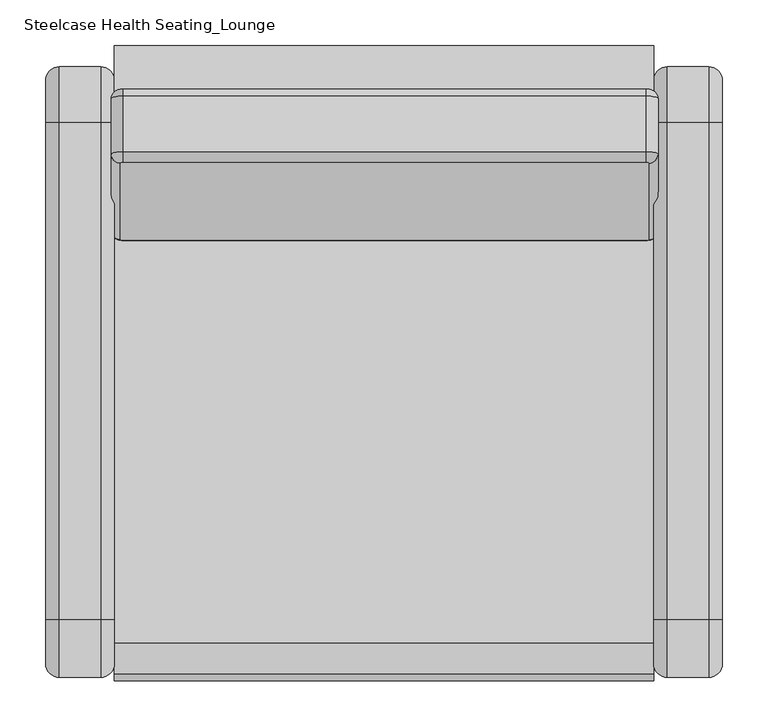
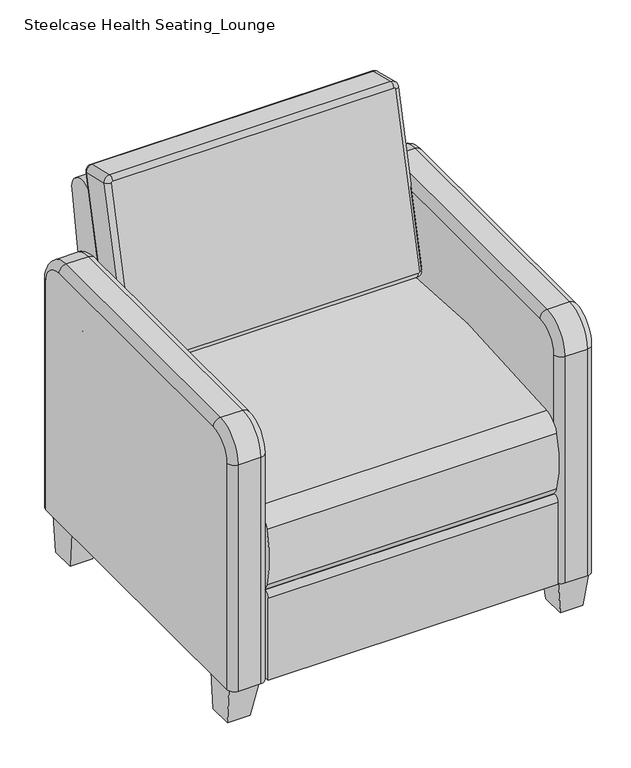
"""IFC4 building model written with IfcOpenShell, lengths in millimetres: furniture geometry, Steelcase Health Seating_Lounge."""

import ifcopenshell
import ifcopenshell.guid

model = None  # the IFC model being written
_history = None  # IfcOwnerHistory: only IFC2X3 demands one
_inside = {}  # id of a spatial element -> (the spatial element, [elements in it])
_under = {}  # id of a project, library or spatial element -> (it, [spatial elements below it])
_declared = {}  # id of a project -> (the project, [libraries it declares])
_typed = {}  # id of a type object -> (the type object, [elements of that type])
_made_of = {}  # id of a material, layer set ... -> (it, [elements and type objects made of it])


def new_model(schema):
    """Start an empty IFC model of exactly this schema.

    Asked for "IFC4X3", IfcOpenShell would pick the latest addendum, in which some entities
    have other attributes; the version numbers below select the first issue.
    IFC2X3 requires an IfcOwnerHistory on every rooted entity: one is made here for all.
    """
    global model, _history
    if schema == "IFC4X3":
        model = ifcopenshell.file(schema_version=(4, 3, 0, 0))
    else:
        model = ifcopenshell.file(schema=schema)
    _inside.clear()
    _under.clear()
    _declared.clear()
    _typed.clear()
    _made_of.clear()
    _history = None
    if model.schema == "IFC2X3":
        org = make("IfcOrganization", Name="unknown")
        user = make(
            "IfcPersonAndOrganization",
            ThePerson=make("IfcPerson", FamilyName="unknown"),
            TheOrganization=org,
        )
        app = make(
            "IfcApplication",
            ApplicationDeveloper=org,
            Version="unknown",
            ApplicationFullName="unknown",
            ApplicationIdentifier="unknown",
        )
        _history = make(
            "IfcOwnerHistory",
            OwningUser=user,
            OwningApplication=app,
            ChangeAction="ADDED",
            CreationDate=0,
        )
    return model


def make(cls, **values):
    """One entity of the class cls with the attributes given. An attribute that is None is left unset."""
    return model.create_entity(
        cls, **{name: value for name, value in values.items() if value is not None}
    )


def rooted(cls, **values):
    """An entity with a GlobalId (a new one), such as an element, a storey or a relation."""
    return make(cls, GlobalId=ifcopenshell.guid.new(), OwnerHistory=_history, **values)


def si_unit(unit_type, name, prefix=None):
    """IfcSIUnit, for example si_unit("LENGTHUNIT", "METRE", prefix="MILLI")."""
    return make("IfcSIUnit", UnitType=unit_type, Prefix=prefix, Name=name)


def assignment(units):
    """IfcUnitAssignment: the units of a project."""
    return None if units is None else make("IfcUnitAssignment", Units=units)


def point(xyz):
    """IfcCartesianPoint."""
    return None if xyz is None else make("IfcCartesianPoint", Coordinates=xyz)


def direction(xyz):
    """IfcDirection."""
    return None if xyz is None else make("IfcDirection", DirectionRatios=xyz)


def frame(location, z_axis=None, x_axis=None):
    """IfcAxis2Placement3D, a coordinate frame: its origin and axes. An axis left out is left unset."""
    return make(
        "IfcAxis2Placement3D",
        Location=point(location),
        Axis=direction(z_axis),
        RefDirection=direction(x_axis),
    )


def frame_2d(location, x_axis=None):
    """IfcAxis2Placement2D, a coordinate frame in the plane: its origin and x axis."""
    return make(
        "IfcAxis2Placement2D", Location=point(location), RefDirection=direction(x_axis)
    )


def origin():
    """The frame at (0, 0, 0) with its axes left unset."""
    return frame((0.0, 0.0, 0.0))


def place(relative_to, where):
    """IfcLocalPlacement: puts the frame where relative to a parent placement (None: the world)."""
    return make(
        "IfcLocalPlacement", PlacementRelTo=relative_to, RelativePlacement=where
    )


def context(
    kind, dimensions, precision=None, world=None, true_north=None, identifier=None
):
    """IfcGeometricRepresentationContext, for example the 3D "Model" context."""
    return make(
        "IfcGeometricRepresentationContext",
        ContextIdentifier=identifier,
        ContextType=kind,
        CoordinateSpaceDimension=dimensions,
        Precision=precision,
        WorldCoordinateSystem=world,
        TrueNorth=true_north,
    )


def project(units=None, contexts=None):
    """IfcProject with its units and contexts."""
    return rooted(
        "IfcProject",
        Name="project",
        RepresentationContexts=contexts,
        UnitsInContext=assignment(units),
    )


def spatial(cls, under=None, at=None, **own):
    """A site, building, storey or space (cls), placed at a placement, below another one or the project."""
    s = rooted(cls, ObjectPlacement=at, **own)
    if under is not None:
        _under.setdefault(under.id(), (under, []))[1].append(s)
    return s


def polyline(points):
    """IfcPolyline through the points."""
    return make("IfcPolyline", Points=[point(p) for p in points])


def circle_curve(where, radius):
    """IfcCircle in the frame where."""
    return make("IfcCircle", Position=where, Radius=radius)


def ellipse_curve(where, semi_axis1, semi_axis2):
    """IfcEllipse in the frame where."""
    return make(
        "IfcEllipse", Position=where, SemiAxis1=semi_axis1, SemiAxis2=semi_axis2
    )


def trimmed(basis, trim1, trim2, sense, master):
    """IfcTrimmedCurve: the piece of a basis curve between two trims."""
    return make(
        "IfcTrimmedCurve",
        BasisCurve=basis,
        Trim1=trim1,
        Trim2=trim2,
        SenseAgreement=sense,
        MasterRepresentation=master,
    )


def segment(curve, same_sense, transition):
    """IfcCompositeCurveSegment."""
    return make(
        "IfcCompositeCurveSegment",
        Transition=transition,
        SameSense=same_sense,
        ParentCurve=curve,
    )


def composite_curve(segments, self_intersect=None):
    """IfcCompositeCurve: segments joined end to end."""
    return make("IfcCompositeCurve", Segments=segments, SelfIntersect=self_intersect)


def outline(outer, holes=None, kind="AREA"):
    """IfcArbitraryClosedProfileDef: a profile drawn as a closed curve; with holes, ...WithVoids."""
    if holes is None:
        return make("IfcArbitraryClosedProfileDef", ProfileType=kind, OuterCurve=outer)
    return make(
        "IfcArbitraryProfileDefWithVoids",
        ProfileType=kind,
        OuterCurve=outer,
        InnerCurves=holes,
    )


def extrude(swept, where, along, depth):
    """IfcExtrudedAreaSolid: the profile swept, set in the frame where, extruded along a direction by depth."""
    return make(
        "IfcExtrudedAreaSolid",
        SweptArea=swept,
        Position=where,
        ExtrudedDirection=direction(along),
        Depth=depth,
    )


def faces_of(points, faces, orient=None, outer=None):
    """IfcFace entities. A face is a list of loops; a loop is a list of indices into points, from 0.

    orient and outer hold one flag for each loop. By default every Orientation is true, the
    first loop of a face is its IfcFaceOuterBound and the others are IfcFaceBound.
    """
    made = []
    for i, loops in enumerate(faces):
        bounds = []
        for j, loop in enumerate(loops):
            is_outer = j == 0 if outer is None else outer[i][j]
            bounds.append(
                make(
                    "IfcFaceOuterBound" if is_outer else "IfcFaceBound",
                    Bound=make("IfcPolyLoop", Polygon=[points[k] for k in loop]),
                    Orientation=True if orient is None else orient[i][j],
                )
            )
        made.append(make("IfcFace", Bounds=bounds))
    return made


def faceted_brep(points, faces, orient=None, outer=None, voids=None):
    """IfcFacetedBrep: a solid bounded by flat faces; with voids (closed shells), ...WithVoids."""
    shared = [point(p) for p in points]
    hull = make("IfcClosedShell", CfsFaces=faces_of(shared, faces, orient, outer))
    if voids is None:
        return make("IfcFacetedBrep", Outer=hull)
    return make(
        "IfcFacetedBrepWithVoids",
        Outer=hull,
        Voids=[
            make(cls, CfsFaces=faces_of(shared, fs, o, b)) for cls, fs, o, b in voids
        ],
    )


def shape(context_of_items, identifier, shape_type, items):
    """IfcShapeRepresentation: the items that make up one representation, for example the "Body"."""
    return make(
        "IfcShapeRepresentation",
        ContextOfItems=context_of_items,
        RepresentationIdentifier=identifier,
        RepresentationType=shape_type,
        Items=items,
    )


def source(mapping_origin, context_of_items, identifier, shape_type, items):
    """IfcRepresentationMap: a shape defined once, which mapped items show again and again."""
    return make(
        "IfcRepresentationMap",
        MappingOrigin=mapping_origin,
        MappedRepresentation=shape(context_of_items, identifier, shape_type, items),
    )


def transform(
    local_origin,
    x_axis=None,
    y_axis=None,
    z_axis=None,
    scale=None,
    scale2=None,
    scale3=None,
    uniform=True,
):
    """IfcCartesianTransformationOperator3D, or its non-uniform kind. x_axis, y_axis, z_axis: its Axis1, 2, 3."""
    if uniform:
        return make(
            "IfcCartesianTransformationOperator3D",
            Axis1=direction(x_axis),
            Axis2=direction(y_axis),
            LocalOrigin=point(local_origin),
            Scale=scale,
            Axis3=direction(z_axis),
        )
    return make(
        "IfcCartesianTransformationOperator3DnonUniform",
        Axis1=direction(x_axis),
        Axis2=direction(y_axis),
        LocalOrigin=point(local_origin),
        Scale=scale,
        Axis3=direction(z_axis),
        Scale2=scale2,
        Scale3=scale3,
    )


def mapped(mapping_source, mapping_target):
    """IfcMappedItem: shows the shape of a source again, moved by a transform."""
    return make(
        "IfcMappedItem", MappingSource=mapping_source, MappingTarget=mapping_target
    )


def made_of(thing, what):
    """Note that an element or type object is made of a material, layer set ...; save() writes the relation."""
    if what is not None:
        _made_of.setdefault(what.id(), (what, []))[1].append(thing)
    return thing


def element(
    cls,
    number,
    at=None,
    inside=None,
    cuts=None,
    type_object=None,
    material=None,
    context=None,
    identifier="Body",
    shape_type=None,
    held_by="IfcProductDefinitionShape",
    body=None,
    shapes=None,
    **own,
):
    """One element of the class cls, such as IfcWall. Its Tag is "e" and its number.

    at: its placement. inside: the storey or other place that contains it. cuts: it is an
    opening in that element (IfcRelVoidsElement). A single representation is given by context,
    identifier, shape_type and body (its items); several are given by shapes. held_by: the class
    of the entity that holds the representations. save() writes the other relations.
    """
    e = rooted(cls, Tag="e%d" % number, ObjectPlacement=at, **own)
    if body is not None:
        shapes = [shape(context, identifier, shape_type, body)]
    if shapes is not None:
        e.Representation = make(held_by, Representations=shapes)
    if inside is not None:
        _inside.setdefault(inside.id(), (inside, []))[1].append(e)
    if cuts is not None:
        rooted(
            "IfcRelVoidsElement", RelatingBuildingElement=cuts, RelatedOpeningElement=e
        )
    if type_object is not None:
        _typed.setdefault(type_object.id(), (type_object, []))[1].append(e)
    return made_of(e, material)


def aggregate(whole, parts):
    """IfcRelAggregates: a whole, such as a stair, and the parts it consists of."""
    return rooted("IfcRelAggregates", RelatingObject=whole, RelatedObjects=parts)


def save(model, path):
    """Write the relations noted so far, then the file.

    IfcRelAggregates (storeys below a building ...), IfcRelContainedInSpatialStructure (elements
    in a storey), IfcRelDefinesByType, IfcRelAssociatesMaterial and IfcRelDeclares: one each for
    every whole, place, type object, material and project.
    """
    for whole, parts in _under.values():
        aggregate(whole, parts)
    for where, things in _inside.values():
        rooted(
            "IfcRelContainedInSpatialStructure",
            RelatedElements=things,
            RelatingStructure=where,
        )
    for kind, things in _typed.values():
        rooted("IfcRelDefinesByType", RelatedObjects=things, RelatingType=kind)
    for what, things in _made_of.values():
        rooted("IfcRelAssociatesMaterial", RelatedObjects=things, RelatingMaterial=what)
    for by, libraries in _declared.values():
        rooted("IfcRelDeclares", RelatingContext=by, RelatedDefinitions=libraries)
    model.write(path)


def plane_surface(at):
    """IfcPlane: the flat surface through the origin of the frame at, square to its z axis."""
    return make("IfcPlane", Position=at)


def cylinder_surface(at, radius):
    """IfcCylindricalSurface: all points at the distance radius from the z axis of the frame at."""
    return make("IfcCylindricalSurface", Position=at, Radius=radius)


def revolved_surface(curve, axis_point, axis_direction):
    """IfcSurfaceOfRevolution: the curve turned about the line through axis_point along axis_direction."""
    return make(
        "IfcSurfaceOfRevolution",
        SweptCurve=make("IfcArbitraryOpenProfileDef", ProfileType="CURVE", Curve=curve),
        AxisPosition=make("IfcAxis1Placement", Location=point(axis_point), Axis=direction(axis_direction)),
    )


def advanced_brep(points, edges, surfaces, faces):
    """IfcAdvancedBrep: a solid bounded by faces that lie on surfaces and meet in shared edges.

    An edge is (start, end): straight between two places in points (the first is 0);
    or (start, end, curve); or (start, end, curve, False) where it runs against its curve.
    A face is (place in surfaces, loops), or (place, loops, False) where it looks against
    its surface's normal. A loop lists edges by number (the first is 1), with a minus sign
    where the edge is run from its end to its start. The first loop is the outer one.
    """
    corners = [point(p) for p in points]
    vertices = [make("IfcVertexPoint", VertexGeometry=c) for c in corners]
    made = []
    for start, end, *more in edges:
        made.append(
            make(
                "IfcEdgeCurve",
                EdgeStart=vertices[start],
                EdgeEnd=vertices[end],
                EdgeGeometry=more[0] if more else make("IfcPolyline", Points=[corners[start], corners[end]]),
                SameSense=more[1] if len(more) > 1 else True,
            )
        )
    hull = []
    for where, loops, *sense in faces:
        bounds = []
        for j, loop in enumerate(loops):
            ring = [make("IfcOrientedEdge", EdgeElement=made[abs(k) - 1], Orientation=k > 0) for k in loop]
            bounds.append(
                make(
                    "IfcFaceOuterBound" if j == 0 else "IfcFaceBound",
                    Bound=make("IfcEdgeLoop", EdgeList=ring),
                    Orientation=True,
                )
            )
        hull.append(make("IfcAdvancedFace", Bounds=bounds, FaceSurface=surfaces[where], SameSense=sense[0] if sense else True))
    return make("IfcAdvancedBrep", Outer=make("IfcClosedShell", CfsFaces=hull))


def steelcase_health_seating_lounge_aa44a6df(model_context):
    return source(origin(), model_context, "Body", "SolidModel", [
        advanced_brep(
        [(521.1496369, -10.0936479, 82.6148701), (521.1496369, -10.0936479, 571.5648701), (521.1496369, 38.1663521, 619.8248701), (521.1496369, 584.2221244, 619.8248701), (521.1496369, 629.9421244, 574.1048701), (521.1496369, 629.9421244, 82.6148701), (596.7455313, 629.9421244, 82.6148701), (596.7455313, 629.9421244, 574.1048701), (596.7455313, 584.2221244, 619.8248701), (596.7455313, 38.1663521, 619.8248701), (596.7455313, -10.0936479, 571.5648701), (596.7455313, -10.0936479, 82.6148701), (536.3896369, 645.1821244, 82.6148701), (581.5055313, 645.1821244, 82.6148701), (581.5055313, -25.3336479, 82.6148701), (536.3896369, -25.3336479, 82.6148701), (536.3896369, 645.1821244, 574.1048701), (581.5055313, 645.1821244, 574.1048701), (536.3896369, 584.2221244, 635.0648701), (581.5055313, 584.2221244, 635.0648701), (536.3896369, 38.1663521, 635.0648701), (581.5055313, 38.1663521, 635.0648701), (536.3896369, -25.3336479, 571.5648701), (581.5055313, -25.3336479, 571.5648701)],
        [
            (0, 1),
            (1, 2, circle_curve(frame((521.1496369, 38.1663521, 571.5648701), z_axis=(-1.0, 0.0, 0.0), x_axis=(0.0, 0.0, 1.0)), 48.26)),
            (2, 3),
            (3, 4, circle_curve(frame((521.1496369, 584.2221244, 574.1048701), z_axis=(-1.0, 0.0, 0.0), x_axis=(0.0, 1.0, 0.0)), 45.72)),
            (4, 5),
            (5, 0),
            (6, 7),
            (7, 8, circle_curve(frame((596.7455313, 584.2221244, 574.1048701), z_axis=(1.0, 0.0, 0.0), x_axis=(0.0, 1.0, 0.0)), 45.72)),
            (8, 9),
            (9, 10, circle_curve(frame((596.7455313, 38.1663521, 571.5648701), z_axis=(1.0, 0.0, 0.0), x_axis=(0.0, 0.0, 1.0)), 48.26)),
            (10, 11),
            (11, 6),
            (5, 12, circle_curve(frame((536.3896369, 629.9421244, 82.6148701), z_axis=(0.0, 0.0, -1.0), x_axis=(0.0, 1.0, 0.0)), 15.24)),
            (12, 13),
            (13, 6, circle_curve(frame((581.5055313, 629.9421244, 82.6148701), z_axis=(0.0, 0.0, -1.0), x_axis=(0.0, 1.0, 0.0)), 15.24)),
            (11, 14, circle_curve(frame((581.5055313, -10.0936479, 82.6148701), z_axis=(0.0, 0.0, -1.0), x_axis=(0.0, -1.0, 0.0)), 15.24)),
            (14, 15),
            (15, 0, circle_curve(frame((536.3896369, -10.0936479, 82.6148701), z_axis=(0.0, 0.0, -1.0), x_axis=(0.0, -1.0, 0.0)), 15.24)),
            (12, 16),
            (16, 17),
            (17, 13),
            (17, 7, circle_curve(frame((581.5055313, 629.9421244, 574.1048701), z_axis=(0.0, 0.0, -1.0), x_axis=(0.0, 1.0, 0.0)), 15.24)),
            (4, 16, circle_curve(frame((536.3896369, 629.9421244, 574.1048701), z_axis=(0.0, 0.0, -1.0), x_axis=(0.0, 1.0, 0.0)), 15.24)),
            (16, 18, circle_curve(frame((536.3896369, 584.2221244, 574.1048701), z_axis=(1.0, 0.0, 0.0), x_axis=(0.0, 1.0, 0.0)), 60.96)),
            (18, 19),
            (19, 17, circle_curve(frame((581.5055313, 584.2221244, 574.1048701), z_axis=(-1.0, 0.0, 0.0), x_axis=(0.0, 1.0, 0.0)), 60.96)),
            (19, 8, circle_curve(frame((581.5055313, 584.2221244, 619.8248701), z_axis=(0.0, 1.0, 0.0), x_axis=(0.0, 0.0, 1.0)), 15.24)),
            (3, 18, circle_curve(frame((536.3896369, 584.2221244, 619.8248701), z_axis=(0.0, 1.0, 0.0), x_axis=(0.0, 0.0, 1.0)), 15.24)),
            (18, 20),
            (20, 21),
            (21, 19),
            (21, 9, circle_curve(frame((581.5055313, 38.1663521, 619.8248701), z_axis=(0.0, 1.0, 0.0), x_axis=(0.0, 0.0, 1.0)), 15.24)),
            (2, 20, circle_curve(frame((536.3896369, 38.1663521, 619.8248701), z_axis=(0.0, 1.0, 0.0), x_axis=(0.0, 0.0, 1.0)), 15.24)),
            (20, 22, circle_curve(frame((536.3896369, 38.1663521, 571.5648701), z_axis=(1.0, 0.0, 0.0), x_axis=(0.0, 0.0, 1.0)), 63.5)),
            (22, 23),
            (23, 21, circle_curve(frame((581.5055313, 38.1663521, 571.5648701), z_axis=(-1.0, 0.0, 0.0), x_axis=(0.0, 0.0, 1.0)), 63.5)),
            (23, 10, circle_curve(frame((581.5055313, -10.0936479, 571.5648701), z_axis=(0.0, 0.0, 1.0), x_axis=(0.0, -1.0, 0.0)), 15.24)),
            (1, 22, circle_curve(frame((536.3896369, -10.0936479, 571.5648701), z_axis=(0.0, 0.0, 1.0), x_axis=(0.0, -1.0, 0.0)), 15.24)),
            (22, 15),
            (14, 23),
        ],
        [
            plane_surface(frame((521.1496369, 629.0178274, 82.6148701), z_axis=(-1.0, 0.0, 0.0), x_axis=(0.0, 0.0, -1.0))),
            plane_surface(frame((596.7455313, 629.0178274, 82.6148701), z_axis=(1.0, 0.0, 0.0), x_axis=(0.0, 0.0, 1.0))),
            plane_surface(frame((521.1496369, 629.0178274, 82.6148701), z_axis=(0.0, 0.0, -1.0), x_axis=(1.0, 0.0, 0.0))),
            plane_surface(frame((536.3896369, 645.1821244, 82.6148701), z_axis=(0.0, 1.0, 0.0), x_axis=(0.0, 0.0, 1.0))),
            cylinder_surface(frame((581.5055313, 629.9421244, 82.6148701), z_axis=(0.0, 0.0, -1.0), x_axis=(0.0, 1.0, 0.0)), 15.24),
            cylinder_surface(frame((536.3896369, 629.9421244, 82.6148701), z_axis=(0.0, 0.0, -1.0), x_axis=(0.0, 1.0, 0.0)), 15.24),
            cylinder_surface(frame((558.9475841, 584.2221244, 574.1048701), z_axis=(1.0, 0.0, 0.0), x_axis=(0.0, 1.0, 0.0)), 60.96),
            revolved_surface(trimmed(ellipse_curve(frame((581.5055313, 629.9421244, 574.1048701), z_axis=(0.0, 0.0, -1.0), x_axis=(0.0, 1.0, 0.0)), 15.24, 15.24), [point((581.5055313, 645.1821244, 574.1048701))], [point((596.7455313, 629.9421244, 574.1048701))], True, "CARTESIAN"), (558.9475841, 584.2221244, 574.1048701), (1.0, 0.0, 0.0)),
            revolved_surface(trimmed(ellipse_curve(frame((536.3896369, 629.9421244, 574.1048701), z_axis=(0.0, 0.0, -1.0), x_axis=(0.0, 1.0, 0.0)), 15.24, 15.24), [point((521.1496369, 629.9421244, 574.1048701))], [point((536.3896369, 645.1821244, 574.1048701))], True, "CARTESIAN"), (558.9475841, 584.2221244, 574.1048701), (1.0, 0.0, 0.0)),
            plane_surface(frame((536.3896369, 584.2221244, 635.0648701), z_axis=(0.0, 0.0, 1.0), x_axis=(0.0, -1.0, 0.0))),
            cylinder_surface(frame((581.5055313, 584.2221244, 619.8248701), z_axis=(0.0, 1.0, 0.0), x_axis=(0.0, 0.0, 1.0)), 15.24),
            cylinder_surface(frame((536.3896369, 584.2221244, 619.8248701), z_axis=(0.0, 1.0, 0.0), x_axis=(0.0, 0.0, 1.0)), 15.24),
            cylinder_surface(frame((558.9475841, 38.1663521, 571.5648701), z_axis=(1.0, 0.0, 0.0), x_axis=(0.0, 0.0, 1.0)), 63.5),
            revolved_surface(trimmed(ellipse_curve(frame((581.5055313, 38.1663521, 619.8248701), z_axis=(0.0, 1.0, 0.0), x_axis=(0.0, 0.0, 1.0)), 15.24, 15.24), [point((581.5055313, 38.1663521, 635.0648701))], [point((596.7455313, 38.1663521, 619.8248701))], True, "CARTESIAN"), (558.9475841, 38.1663521, 571.5648701), (1.0, 0.0, 0.0)),
            revolved_surface(trimmed(ellipse_curve(frame((536.3896369, 38.1663521, 619.8248701), z_axis=(0.0, 1.0, 0.0), x_axis=(0.0, 0.0, 1.0)), 15.24, 15.24), [point((521.1496369, 38.1663521, 619.8248701))], [point((536.3896369, 38.1663521, 635.0648701))], True, "CARTESIAN"), (558.9475841, 38.1663521, 571.5648701), (1.0, 0.0, 0.0)),
            plane_surface(frame((536.3896369, -25.3336479, 571.5648701), z_axis=(0.0, -1.0, 0.0), x_axis=(0.0, 0.0, -1.0))),
            cylinder_surface(frame((581.5055313, -10.0936479, 571.5648701), z_axis=(0.0, 0.0, 1.0), x_axis=(0.0, -1.0, 0.0)), 15.24),
            cylinder_surface(frame((536.3896369, -10.0936479, 571.5648701), z_axis=(0.0, 0.0, 1.0), x_axis=(0.0, -1.0, 0.0)), 15.24),
        ],
        [
            (0, [[1, 2, 3, 4, 5, 6]]),
            (1, [[7, 8, 9, 10, 11, 12]]),
            (2, [[-6, 13, 14, 15, -12, 16, 17, 18]]),
            (3, [[-14, 19, 20, 21]]),
            (4, [[-15, -21, 22, -7]]),
            (5, [[-13, -5, 23, -19]]),
            (6, [[-20, 24, 25, 26]]),
            (7, [[-22, -26, 27, -8]]),
            (8, [[-4, 28, -24, -23]]),
            (9, [[-25, 29, 30, 31]]),
            (10, [[-9, -27, -31, 32]]),
            (11, [[-3, 33, -29, -28]]),
            (12, [[-30, 34, 35, 36]]),
            (13, [[-10, -32, -36, 37]]),
            (14, [[-2, 38, -34, -33]]),
            (15, [[-35, 39, -17, 40]]),
            (16, [[-11, -37, -40, -16]]),
            (17, [[-1, -18, -39, -38]]),
        ],
    ),
        faceted_brep([(529.8674551, 544.6702363, 82.6148701), (593.3934045, 544.6702363, 82.6148701), (593.3934045, 609.0279949, 82.6148701), (529.8674551, 609.0279949, 82.6148701), (541.8574209, 559.0095137, 0.0), (541.8574209, 609.4520811, 0.0), (588.2533898, 609.4520811, 0.0), (588.2533898, 559.0095137, 0.0)], [[[0, 1, 2, 3]], [[4, 5, 6, 7]], [[4, 7, 1, 0]], [[7, 6, 2, 1]], [[6, 5, 3, 2]], [[5, 4, 0, 3]]]),
        faceted_brep([(529.8674551, 51.7207378, 82.6148701), (529.8674551, -12.6370208, 82.6148701), (593.3934045, -12.6370208, 82.6148701), (593.3934045, 51.7207378, 82.6148701), (541.8574209, 52.1448217, 0.0), (588.2533898, 52.1448217, 0.0), (588.2533898, 1.7022543, 0.0), (541.8574209, 1.7022543, 0.0)], [[[0, 1, 2, 3]], [[4, 5, 6, 7]], [[4, 7, 1, 0]], [[7, 6, 2, 1]], [[6, 5, 3, 2]], [[5, 4, 0, 3]]]),
        advanced_brep(
        [(513.3809962, 620.3336942, 795.8799185), (515.9209962, 619.730996, 793.4124593), (515.9209962, 535.950483, 450.4132545), (513.3809962, 535.3477848, 447.9457953), (-61.3917813, 535.3477848, 447.9457953), (-63.9317813, 535.950483, 450.4132545), (-63.9317813, 619.730996, 793.4124593), (-61.3917813, 620.3336942, 795.8799185), (515.9209962, 539.2122202, 813.0798646), (513.3809962, 539.8149183, 815.5473238), (-61.3917813, 539.8149183, 815.5473238), (-63.9317813, 539.2122202, 813.0798646), (-63.9317813, 455.4317071, 470.0806597), (-61.3917813, 454.8290089, 467.6132005), (513.3809962, 454.8290089, 467.6132005), (515.9209962, 455.4317071, 470.0806597), (526.0809962, 609.8611592, 795.8232521), (513.3809962, 612.8746502, 808.1605481), (513.3809962, 552.0955479, 823.0063678), (526.0809962, 549.082057, 810.6690718), (526.0809962, 465.3015439, 467.669867), (526.0809962, 526.0806462, 452.8240472), (513.3809962, 462.288053, 455.332571), (513.3809962, 523.0671552, 440.4867512), (-61.3917813, 462.288053, 455.332571), (-61.3917813, 523.0671552, 440.4867512), (-74.0917813, 465.3015439, 467.669867), (-74.0917813, 526.0806462, 452.8240472), (-74.0917813, 549.082057, 810.6690718), (-74.0917813, 609.8611592, 795.8232521), (-61.3917813, 552.0955479, 823.0063678), (-61.3917813, 612.8746502, 808.1605481)],
        [
            (0, 1, circle_curve(frame((513.3809962, 619.730996, 793.4124593), z_axis=(0.0, 0.9714406295994851, -0.2372827494011232), x_axis=(0.0, 0.2372827494011232, 0.9714406295994851)), 2.54)),
            (1, 2),
            (2, 3, circle_curve(frame((513.3809962, 535.950483, 450.4132545), z_axis=(0.0, 0.9714406295994851, -0.2372827494011232), x_axis=(1.0, 0.0, 0.0)), 2.54)),
            (3, 4),
            (4, 5, circle_curve(frame((-61.3917813, 535.950483, 450.4132545), z_axis=(0.0, 0.9714406295994851, -0.2372827494011232), x_axis=(0.0, -0.2372827494011232, -0.9714406295994851)), 2.54)),
            (5, 6),
            (6, 7, circle_curve(frame((-61.3917813, 619.730996, 793.4124593), z_axis=(0.0, 0.9714406295994851, -0.2372827494011232), x_axis=(-1.0, 0.0, 0.0)), 2.54)),
            (7, 0),
            (8, 9, circle_curve(frame((513.3809962, 539.2122202, 813.0798646), z_axis=(0.0, -0.9714406295994851, 0.2372827494011232), x_axis=(0.0, 0.2372827494011232, 0.9714406295994851)), 2.54)),
            (9, 10),
            (10, 11, circle_curve(frame((-61.3917813, 539.2122202, 813.0798646), z_axis=(0.0, -0.9714406295994851, 0.2372827494011232), x_axis=(-1.0, 0.0, 0.0)), 2.54)),
            (11, 12),
            (12, 13, circle_curve(frame((-61.3917813, 455.4317071, 470.0806597), z_axis=(0.0, -0.9714406295994851, 0.2372827494011232), x_axis=(0.0, -0.2372827494011232, -0.9714406295994851)), 2.54)),
            (13, 14),
            (14, 15, circle_curve(frame((513.3809962, 455.4317071, 470.0806597), z_axis=(0.0, -0.9714406295994851, 0.2372827494011232), x_axis=(1.0, 0.0, 0.0)), 2.54)),
            (15, 8),
            (16, 17, circle_curve(frame((513.3809962, 609.8611592, 795.8232521), z_axis=(0.0, -0.9714406295994851, 0.2372827494011232), x_axis=(0.0, 0.2372827494011232, 0.9714406295994851)), 12.7)),
            (17, 18),
            (18, 19, circle_curve(frame((513.3809962, 549.082057, 810.6690718), z_axis=(0.0, 0.9714406295994851, -0.2372827494011232), x_axis=(0.0, 0.2372827494011232, 0.9714406295994851)), 12.7)),
            (19, 16),
            (16, 1, circle_curve(frame((515.9209962, 609.8611592, 795.8232521), z_axis=(0.0, 0.23728274940112332, 0.9714406295994851), x_axis=(-1.0000000000000002, 0.0, 0.0)), 10.16)),
            (0, 17, circle_curve(frame((513.3809962, 610.4638574, 798.2907113), z_axis=(1.0000000000000002, 0.0, 0.0), x_axis=(0.0, -0.23728274940112326, -0.9714406295994851)), 10.16)),
            (18, 9, circle_curve(frame((513.3809962, 549.6847551, 813.136531), z_axis=(1.0000000000000002, 0.0, 0.0), x_axis=(0.0, -0.23728274940112326, -0.9714406295994851)), 10.16)),
            (8, 19, circle_curve(frame((515.9209962, 549.082057, 810.6690718), z_axis=(0.0, 0.23728274940112332, 0.9714406295994851), x_axis=(-1.0000000000000002, 0.0, 0.0)), 10.16)),
            (19, 20),
            (20, 21),
            (21, 16),
            (21, 2, circle_curve(frame((515.9209962, 526.0806462, 452.8240472), z_axis=(0.0, 0.23728274940112587, 0.9714406295994843), x_axis=(-1.0, 0.0, 0.0)), 10.16)),
            (15, 20, circle_curve(frame((515.9209962, 465.3015439, 467.669867), z_axis=(0.0, 0.23728274940112587, 0.9714406295994843), x_axis=(-1.0, 0.0, 0.0)), 10.16)),
            (20, 22, circle_curve(frame((513.3809962, 465.3015439, 467.669867), z_axis=(0.0, 0.9714406295994851, -0.2372827494011232), x_axis=(1.0, 0.0, 0.0)), 12.7)),
            (22, 23),
            (23, 21, circle_curve(frame((513.3809962, 526.0806462, 452.8240472), z_axis=(0.0, -0.9714406295994851, 0.2372827494011232), x_axis=(1.0, 0.0, 0.0)), 12.7)),
            (23, 3, circle_curve(frame((513.3809962, 525.477948, 450.356588), z_axis=(1.0, 0.0, 0.0), x_axis=(0.0, 0.23728274940112315, 0.9714406295994851)), 10.16)),
            (14, 22, circle_curve(frame((513.3809962, 464.6988457, 465.2024078), z_axis=(1.0, 0.0, 0.0), x_axis=(0.0, 0.23728274940112315, 0.9714406295994851)), 10.16)),
            (22, 24),
            (24, 25),
            (25, 23),
            (25, 4, circle_curve(frame((-61.3917813, 525.477948, 450.356588), z_axis=(1.0, 0.0, 0.0), x_axis=(0.0, 0.23728274940112315, 0.9714406295994851)), 10.16)),
            (13, 24, circle_curve(frame((-61.3917813, 464.6988457, 465.2024078), z_axis=(1.0, 0.0, 0.0), x_axis=(0.0, 0.23728274940112315, 0.9714406295994851)), 10.16)),
            (24, 26, circle_curve(frame((-61.3917813, 465.3015439, 467.669867), z_axis=(0.0, 0.9714406295994851, -0.2372827494011232), x_axis=(0.0, -0.2372827494011232, -0.9714406295994851)), 12.7)),
            (26, 27),
            (27, 25, circle_curve(frame((-61.3917813, 526.0806462, 452.8240472), z_axis=(0.0, -0.9714406295994851, 0.2372827494011232), x_axis=(0.0, -0.2372827494011232, -0.9714406295994851)), 12.7)),
            (27, 5, circle_curve(frame((-63.9317813, 526.0806462, 452.8240472), z_axis=(0.0, -0.23728274940112298, -0.9714406295994852), x_axis=(1.0000000000000002, 0.0, 0.0)), 10.16)),
            (12, 26, circle_curve(frame((-63.9317813, 465.3015439, 467.669867), z_axis=(0.0, -0.23728274940112298, -0.9714406295994852), x_axis=(1.0000000000000002, 0.0, 0.0)), 10.16)),
            (26, 28),
            (28, 29),
            (29, 27),
            (29, 6, circle_curve(frame((-63.9317813, 609.8611592, 795.8232521), z_axis=(0.0, -0.23728274940112634, -0.9714406295994843), x_axis=(1.0, 0.0, 0.0)), 10.16)),
            (11, 28, circle_curve(frame((-63.9317813, 549.082057, 810.6690718), z_axis=(0.0, -0.23728274940112634, -0.9714406295994843), x_axis=(1.0, 0.0, 0.0)), 10.16)),
            (28, 30, circle_curve(frame((-61.3917813, 549.082057, 810.6690718), z_axis=(0.0, 0.9714406295994851, -0.2372827494011232), x_axis=(-1.0, 0.0, 0.0)), 12.7)),
            (30, 31),
            (31, 29, circle_curve(frame((-61.3917813, 609.8611592, 795.8232521), z_axis=(0.0, -0.9714406295994851, 0.2372827494011232), x_axis=(-1.0, 0.0, 0.0)), 12.7)),
            (31, 7, circle_curve(frame((-61.3917813, 610.4638574, 798.2907113), z_axis=(-1.0, 0.0, 0.0), x_axis=(0.0, -0.23728274940112326, -0.9714406295994851)), 10.16)),
            (10, 30, circle_curve(frame((-61.3917813, 549.6847551, 813.136531), z_axis=(-1.0, 0.0, 0.0), x_axis=(0.0, -0.23728274940112326, -0.9714406295994851)), 10.16)),
            (17, 31),
            (30, 18),
        ],
        [
            plane_surface(frame((513.3809962, 619.4080993, 792.0905132), z_axis=(0.0, 0.9714406295994851, -0.23728274940112323), x_axis=(-1.0, 0.0, 0.0))),
            plane_surface(frame((513.3809962, 538.8893234, 811.7579184), z_axis=(0.0, -0.9714406295994851, 0.23728274940112323), x_axis=(1.0, 0.0, 0.0))),
            cylinder_surface(frame((513.3809962, 619.730996, 793.4124593), z_axis=(0.0, 0.9714406295994851, -0.2372827494011232), x_axis=(0.0, 0.2372827494011232, 0.9714406295994851)), 12.7),
            revolved_surface(trimmed(ellipse_curve(frame((513.3809962, 610.4638574, 798.2907113), z_axis=(-1.0000000000000002, 0.0, 0.0), x_axis=(0.0, -0.23728274940112326, -0.9714406295994851)), 10.16, 10.16), [point((513.3809962, 612.8746502, 808.1605481))], [point((513.3809962, 620.3336942, 795.8799185))], True, "CARTESIAN"), (513.3809962, 619.730996, 793.4124593), (0.0, 0.9714406295994851, -0.2372827494011232)),
            revolved_surface(trimmed(ellipse_curve(frame((513.3809962, 549.6847551, 813.136531), z_axis=(-1.0000000000000002, 0.0, 0.0), x_axis=(0.0, -0.23728274940112326, -0.9714406295994851)), 10.16, 10.16), [point((513.3809962, 539.8149183, 815.5473238))], [point((513.3809962, 552.0955479, 823.0063678))], True, "CARTESIAN"), (513.3809962, 619.730996, 793.4124593), (0.0, 0.9714406295994851, -0.2372827494011232)),
            plane_surface(frame((526.0809962, 549.082057, 810.6690718), z_axis=(1.0, 0.0, 0.0), x_axis=(0.0, -0.23728274940112581, -0.9714406295994843))),
            cylinder_surface(frame((515.9209962, 609.8611592, 795.8232521), z_axis=(0.0, 0.23728274940112587, 0.9714406295994843), x_axis=(-1.0, 0.0, 0.0)), 10.16),
            cylinder_surface(frame((515.9209962, 549.082057, 810.6690718), z_axis=(0.0, 0.23728274940112587, 0.9714406295994843), x_axis=(-1.0, 0.0, 0.0)), 10.16),
            cylinder_surface(frame((513.3809962, 535.950483, 450.4132545), z_axis=(0.0, 0.9714406295994851, -0.2372827494011232), x_axis=(1.0, 0.0, 0.0)), 12.7),
            revolved_surface(trimmed(ellipse_curve(frame((515.9209962, 526.0806462, 452.8240472), z_axis=(0.0, 0.23728274940112343, 0.9714406295994851), x_axis=(-1.0, 0.0, 0.0)), 10.16, 10.16), [point((526.0809962, 526.0806462, 452.8240472))], [point((515.9209962, 535.950483, 450.4132545))], True, "CARTESIAN"), (513.3809962, 535.950483, 450.4132545), (0.0, 0.9714406295994851, -0.2372827494011232)),
            revolved_surface(trimmed(ellipse_curve(frame((515.9209962, 465.3015439, 467.669867), z_axis=(0.0, 0.23728274940112343, 0.9714406295994851), x_axis=(-1.0, 0.0, 0.0)), 10.16, 10.16), [point((515.9209962, 455.4317071, 470.0806597))], [point((526.0809962, 465.3015439, 467.669867))], True, "CARTESIAN"), (513.3809962, 535.950483, 450.4132545), (0.0, 0.9714406295994851, -0.2372827494011232)),
            plane_surface(frame((513.3809962, 462.288053, 455.332571), z_axis=(0.0, -0.23728274940112226, -0.9714406295994853), x_axis=(-1.0, 0.0, 0.0))),
            cylinder_surface(frame((513.3809962, 525.477948, 450.356588), z_axis=(1.0, 0.0, 0.0), x_axis=(0.0, 0.23728274940112315, 0.9714406295994851)), 10.16),
            cylinder_surface(frame((513.3809962, 464.6988457, 465.2024078), z_axis=(1.0, 0.0, 0.0), x_axis=(0.0, 0.23728274940112315, 0.9714406295994851)), 10.16),
            cylinder_surface(frame((-61.3917813, 535.950483, 450.4132545), z_axis=(0.0, 0.9714406295994851, -0.2372827494011232), x_axis=(0.0, -0.2372827494011232, -0.9714406295994851)), 12.7),
            revolved_surface(trimmed(ellipse_curve(frame((-61.3917813, 525.477948, 450.356588), z_axis=(1.0000000000000002, 0.0, 0.0), x_axis=(0.0, 0.23728274940112315, 0.9714406295994851)), 10.16, 10.16), [point((-61.3917813, 523.0671552, 440.4867512))], [point((-61.3917813, 535.3477848, 447.9457953))], True, "CARTESIAN"), (-61.3917813, 535.950483, 450.4132545), (0.0, 0.9714406295994851, -0.2372827494011232)),
            revolved_surface(trimmed(ellipse_curve(frame((-61.3917813, 464.6988457, 465.2024078), z_axis=(1.0000000000000002, 0.0, 0.0), x_axis=(0.0, 0.23728274940112315, 0.9714406295994851)), 10.16, 10.16), [point((-61.3917813, 454.8290089, 467.6132005))], [point((-61.3917813, 462.288053, 455.332571))], True, "CARTESIAN"), (-61.3917813, 535.950483, 450.4132545), (0.0, 0.9714406295994851, -0.2372827494011232)),
            plane_surface(frame((-74.0917813, 465.3015439, 467.669867), z_axis=(-1.0000000000000002, 0.0, 0.0), x_axis=(0.0, 0.23728274940112662, 0.9714406295994842))),
            cylinder_surface(frame((-63.9317813, 526.0806462, 452.8240472), z_axis=(0.0, -0.23728274940112634, -0.9714406295994843), x_axis=(1.0, 0.0, 0.0)), 10.16),
            cylinder_surface(frame((-63.9317813, 465.3015439, 467.669867), z_axis=(0.0, -0.23728274940112634, -0.9714406295994843), x_axis=(1.0, 0.0, 0.0)), 10.16),
            cylinder_surface(frame((-61.3917813, 619.730996, 793.4124593), z_axis=(0.0, 0.9714406295994851, -0.2372827494011232), x_axis=(-1.0, 0.0, 0.0)), 12.7),
            revolved_surface(trimmed(ellipse_curve(frame((-63.9317813, 609.8611592, 795.8232521), z_axis=(0.0, -0.237282749401123, -0.9714406295994851), x_axis=(1.0, 0.0, 0.0)), 10.16, 10.16), [point((-74.0917813, 609.8611592, 795.8232521))], [point((-63.9317813, 619.730996, 793.4124593))], True, "CARTESIAN"), (-61.3917813, 619.730996, 793.4124593), (0.0, 0.9714406295994851, -0.2372827494011232)),
            revolved_surface(trimmed(ellipse_curve(frame((-63.9317813, 549.082057, 810.6690718), z_axis=(0.0, -0.237282749401123, -0.9714406295994851), x_axis=(1.0, 0.0, 0.0)), 10.16, 10.16), [point((-63.9317813, 539.2122202, 813.0798646))], [point((-74.0917813, 549.082057, 810.6690718))], True, "CARTESIAN"), (-61.3917813, 619.730996, 793.4124593), (0.0, 0.9714406295994851, -0.2372827494011232)),
            plane_surface(frame((-61.3917813, 552.0955479, 823.0063678), z_axis=(0.0, 0.23728274940112415, 0.9714406295994847), x_axis=(1.0, 0.0, 0.0))),
            cylinder_surface(frame((-61.3917813, 610.4638574, 798.2907113), z_axis=(-1.0, 0.0, 0.0), x_axis=(0.0, -0.23728274940112326, -0.9714406295994851)), 10.16),
            cylinder_surface(frame((-61.3917813, 549.6847551, 813.136531), z_axis=(-1.0, 0.0, 0.0), x_axis=(0.0, -0.23728274940112326, -0.9714406295994851)), 10.16),
        ],
        [
            (0, [[1, 2, 3, 4, 5, 6, 7, 8]]),
            (1, [[9, 10, 11, 12, 13, 14, 15, 16]]),
            (2, [[17, 18, 19, 20]]),
            (3, [[-17, 21, -1, 22]]),
            (4, [[-19, 23, -9, 24]]),
            (5, [[-20, 25, 26, 27]]),
            (6, [[-21, -27, 28, -2]]),
            (7, [[-24, -16, 29, -25]]),
            (8, [[-26, 30, 31, 32]]),
            (9, [[-28, -32, 33, -3]]),
            (10, [[-29, -15, 34, -30]]),
            (11, [[-31, 35, 36, 37]]),
            (12, [[-33, -37, 38, -4]]),
            (13, [[-34, -14, 39, -35]]),
            (14, [[-36, 40, 41, 42]]),
            (15, [[-38, -42, 43, -5]]),
            (16, [[-39, -13, 44, -40]]),
            (17, [[-41, 45, 46, 47]]),
            (18, [[-43, -47, 48, -6]]),
            (19, [[-12, 49, -45, -44]]),
            (20, [[-46, 50, 51, 52]]),
            (21, [[-7, -48, -52, 53]]),
            (22, [[-11, 54, -50, -49]]),
            (23, [[-18, 55, -51, 56]]),
            (24, [[-22, -8, -53, -55]]),
            (25, [[-23, -56, -54, -10]]),
        ],
    ),
        faceted_brep([(-79.279437, 544.6702363, 82.6148701), (-79.279437, 609.0279949, 82.6148701), (-142.8053864, 609.0279949, 82.6148701), (-142.8053864, 544.6702363, 82.6148701), (-91.2694028, 559.0095137, 0.0), (-137.6653717, 559.0095137, 0.0), (-137.6653717, 609.4520811, 0.0), (-91.2694028, 609.4520811, 0.0)], [[[0, 1, 2, 3]], [[4, 5, 6, 7]], [[4, 7, 1, 0]], [[7, 6, 2, 1]], [[6, 5, 3, 2]], [[5, 4, 0, 3]]]),
        advanced_brep(
        [(-146.1575133, -10.0936479, 82.6148701), (-146.1575133, -10.0936479, 571.5648701), (-146.1575133, 38.1663521, 619.8248701), (-146.1575133, 584.2221244, 619.8248701), (-146.1575133, 629.9421244, 574.1048701), (-146.1575133, 629.9421244, 82.6148701), (-70.5616188, 629.9421244, 82.6148701), (-70.5616188, 629.9421244, 574.1048701), (-70.5616188, 584.2221244, 619.8248701), (-70.5616188, 38.1663521, 619.8248701), (-70.5616188, -10.0936479, 571.5648701), (-70.5616188, -10.0936479, 82.6148701), (-130.9175133, 645.1821244, 82.6148701), (-85.8016188, 645.1821244, 82.6148701), (-85.8016188, -25.3336479, 82.6148701), (-130.9175133, -25.3336479, 82.6148701), (-130.9175133, 645.1821244, 574.1048701), (-85.8016188, 645.1821244, 574.1048701), (-130.9175133, 584.2221244, 635.0648701), (-85.8016188, 584.2221244, 635.0648701), (-130.9175133, 38.1663521, 635.0648701), (-85.8016188, 38.1663521, 635.0648701), (-130.9175133, -25.3336479, 571.5648701), (-85.8016188, -25.3336479, 571.5648701)],
        [
            (0, 1),
            (1, 2, circle_curve(frame((-146.1575133, 38.1663521, 571.5648701), z_axis=(-1.0, 0.0, 0.0), x_axis=(0.0, 0.0, 1.0)), 48.26)),
            (2, 3),
            (3, 4, circle_curve(frame((-146.1575133, 584.2221244, 574.1048701), z_axis=(-1.0, 0.0, 0.0), x_axis=(0.0, 1.0, 0.0)), 45.72)),
            (4, 5),
            (5, 0),
            (6, 7),
            (7, 8, circle_curve(frame((-70.5616188, 584.2221244, 574.1048701), z_axis=(1.0, 0.0, 0.0), x_axis=(0.0, 1.0, 0.0)), 45.72)),
            (8, 9),
            (9, 10, circle_curve(frame((-70.5616188, 38.1663521, 571.5648701), z_axis=(1.0, 0.0, 0.0), x_axis=(0.0, 0.0, 1.0)), 48.26)),
            (10, 11),
            (11, 6),
            (5, 12, circle_curve(frame((-130.9175133, 629.9421244, 82.6148701), z_axis=(0.0, 0.0, -1.0), x_axis=(0.0, 1.0, 0.0)), 15.24)),
            (12, 13),
            (13, 6, circle_curve(frame((-85.8016188, 629.9421244, 82.6148701), z_axis=(0.0, 0.0, -1.0), x_axis=(0.0, 1.0, 0.0)), 15.24)),
            (11, 14, circle_curve(frame((-85.8016188, -10.0936479, 82.6148701), z_axis=(0.0, 0.0, -1.0), x_axis=(0.0, -1.0, 0.0)), 15.24)),
            (14, 15),
            (15, 0, circle_curve(frame((-130.9175133, -10.0936479, 82.6148701), z_axis=(0.0, 0.0, -1.0), x_axis=(0.0, -1.0, 0.0)), 15.24)),
            (12, 16),
            (16, 17),
            (17, 13),
            (17, 7, circle_curve(frame((-85.8016188, 629.9421244, 574.1048701), z_axis=(0.0, 0.0, -1.0), x_axis=(0.0, 1.0, 0.0)), 15.24)),
            (4, 16, circle_curve(frame((-130.9175133, 629.9421244, 574.1048701), z_axis=(0.0, 0.0, -1.0), x_axis=(0.0, 1.0, 0.0)), 15.24)),
            (16, 18, circle_curve(frame((-130.9175133, 584.2221244, 574.1048701), z_axis=(1.0, 0.0, 0.0), x_axis=(0.0, 1.0, 0.0)), 60.96)),
            (18, 19),
            (19, 17, circle_curve(frame((-85.8016188, 584.2221244, 574.1048701), z_axis=(-1.0, 0.0, 0.0), x_axis=(0.0, 1.0, 0.0)), 60.96)),
            (19, 8, circle_curve(frame((-85.8016188, 584.2221244, 619.8248701), z_axis=(0.0, 1.0, 0.0), x_axis=(0.0, 0.0, 1.0)), 15.24)),
            (3, 18, circle_curve(frame((-130.9175133, 584.2221244, 619.8248701), z_axis=(0.0, 1.0, 0.0), x_axis=(0.0, 0.0, 1.0)), 15.24)),
            (18, 20),
            (20, 21),
            (21, 19),
            (21, 9, circle_curve(frame((-85.8016188, 38.1663521, 619.8248701), z_axis=(0.0, 1.0, 0.0), x_axis=(0.0, 0.0, 1.0)), 15.24)),
            (2, 20, circle_curve(frame((-130.9175133, 38.1663521, 619.8248701), z_axis=(0.0, 1.0, 0.0), x_axis=(0.0, 0.0, 1.0)), 15.24)),
            (20, 22, circle_curve(frame((-130.9175133, 38.1663521, 571.5648701), z_axis=(1.0, 0.0, 0.0), x_axis=(0.0, 0.0, 1.0)), 63.5)),
            (22, 23),
            (23, 21, circle_curve(frame((-85.8016188, 38.1663521, 571.5648701), z_axis=(-1.0, 0.0, 0.0), x_axis=(0.0, 0.0, 1.0)), 63.5)),
            (23, 10, circle_curve(frame((-85.8016188, -10.0936479, 571.5648701), z_axis=(0.0, 0.0, 1.0), x_axis=(0.0, -1.0, 0.0)), 15.24)),
            (1, 22, circle_curve(frame((-130.9175133, -10.0936479, 571.5648701), z_axis=(0.0, 0.0, 1.0), x_axis=(0.0, -1.0, 0.0)), 15.24)),
            (22, 15),
            (14, 23),
        ],
        [
            plane_surface(frame((-146.1575133, 629.0178274, 82.6148701), z_axis=(-1.0, 0.0, 0.0), x_axis=(0.0, 0.0, -1.0))),
            plane_surface(frame((-70.5616188, 629.0178274, 82.6148701), z_axis=(1.0, 0.0, 0.0), x_axis=(0.0, 0.0, 1.0))),
            plane_surface(frame((-146.1575133, 629.0178274, 82.6148701), z_axis=(0.0, 0.0, -1.0), x_axis=(1.0, 0.0, 0.0))),
            plane_surface(frame((-130.9175133, 645.1821244, 82.6148701), z_axis=(0.0, 1.0, 0.0), x_axis=(0.0, 0.0, 1.0))),
            cylinder_surface(frame((-85.8016188, 629.9421244, 82.6148701), z_axis=(0.0, 0.0, -1.0), x_axis=(0.0, 1.0, 0.0)), 15.24),
            cylinder_surface(frame((-130.9175133, 629.9421244, 82.6148701), z_axis=(0.0, 0.0, -1.0), x_axis=(0.0, 1.0, 0.0)), 15.24),
            cylinder_surface(frame((-108.359566, 584.2221244, 574.1048701), z_axis=(1.0, 0.0, 0.0), x_axis=(0.0, 1.0, 0.0)), 60.96),
            revolved_surface(trimmed(ellipse_curve(frame((-85.8016188, 629.9421244, 574.1048701), z_axis=(0.0, 0.0, -1.0), x_axis=(0.0, 1.0, 0.0)), 15.24, 15.24), [point((-85.8016188, 645.1821244, 574.1048701))], [point((-70.5616188, 629.9421244, 574.1048701))], True, "CARTESIAN"), (-108.359566, 584.2221244, 574.1048701), (1.0, 0.0, 0.0)),
            revolved_surface(trimmed(ellipse_curve(frame((-130.9175133, 629.9421244, 574.1048701), z_axis=(0.0, 0.0, -1.0), x_axis=(0.0, 1.0, 0.0)), 15.24, 15.24), [point((-146.1575133, 629.9421244, 574.1048701))], [point((-130.9175133, 645.1821244, 574.1048701))], True, "CARTESIAN"), (-108.359566, 584.2221244, 574.1048701), (1.0, 0.0, 0.0)),
            plane_surface(frame((-130.9175133, 584.2221244, 635.0648701), z_axis=(0.0, 0.0, 1.0), x_axis=(0.0, -1.0, 0.0))),
            cylinder_surface(frame((-85.8016188, 584.2221244, 619.8248701), z_axis=(0.0, 1.0, 0.0), x_axis=(0.0, 0.0, 1.0)), 15.24),
            cylinder_surface(frame((-130.9175133, 584.2221244, 619.8248701), z_axis=(0.0, 1.0, 0.0), x_axis=(0.0, 0.0, 1.0)), 15.24),
            cylinder_surface(frame((-108.359566, 38.1663521, 571.5648701), z_axis=(1.0, 0.0, 0.0), x_axis=(0.0, 0.0, 1.0)), 63.5),
            revolved_surface(trimmed(ellipse_curve(frame((-85.8016188, 38.1663521, 619.8248701), z_axis=(0.0, 1.0, 0.0), x_axis=(0.0, 0.0, 1.0)), 15.24, 15.24), [point((-85.8016188, 38.1663521, 635.0648701))], [point((-70.5616188, 38.1663521, 619.8248701))], True, "CARTESIAN"), (-108.359566, 38.1663521, 571.5648701), (1.0, 0.0, 0.0)),
            revolved_surface(trimmed(ellipse_curve(frame((-130.9175133, 38.1663521, 619.8248701), z_axis=(0.0, 1.0, 0.0), x_axis=(0.0, 0.0, 1.0)), 15.24, 15.24), [point((-146.1575133, 38.1663521, 619.8248701))], [point((-130.9175133, 38.1663521, 635.0648701))], True, "CARTESIAN"), (-108.359566, 38.1663521, 571.5648701), (1.0, 0.0, 0.0)),
            plane_surface(frame((-130.9175133, -25.3336479, 571.5648701), z_axis=(0.0, -1.0, 0.0), x_axis=(0.0, 0.0, -1.0))),
            cylinder_surface(frame((-85.8016188, -10.0936479, 571.5648701), z_axis=(0.0, 0.0, 1.0), x_axis=(0.0, -1.0, 0.0)), 15.24),
            cylinder_surface(frame((-130.9175133, -10.0936479, 571.5648701), z_axis=(0.0, 0.0, 1.0), x_axis=(0.0, -1.0, 0.0)), 15.24),
        ],
        [
            (0, [[1, 2, 3, 4, 5, 6]]),
            (1, [[7, 8, 9, 10, 11, 12]]),
            (2, [[-6, 13, 14, 15, -12, 16, 17, 18]]),
            (3, [[-14, 19, 20, 21]]),
            (4, [[-15, -21, 22, -7]]),
            (5, [[-13, -5, 23, -19]]),
            (6, [[-20, 24, 25, 26]]),
            (7, [[-22, -26, 27, -8]]),
            (8, [[-4, 28, -24, -23]]),
            (9, [[-25, 29, 30, 31]]),
            (10, [[-9, -27, -31, 32]]),
            (11, [[-3, 33, -29, -28]]),
            (12, [[-30, 34, 35, 36]]),
            (13, [[-10, -32, -36, 37]]),
            (14, [[-2, 38, -34, -33]]),
            (15, [[-35, 39, -17, 40]]),
            (16, [[-11, -37, -40, -16]]),
            (17, [[-1, -18, -39, -38]]),
        ],
    ),
        extrude(outline(composite_curve([segment(polyline([(566.2647512, 258.9668419), (19.4687293, 258.9668419)]), True, "CONTINUOUS"), segment(trimmed(circle_curve(frame_2d((19.4687293, 301.5796831)), 42.6128412), [point((19.4687293, 258.9668419))], [point((-21.2168255, 288.9092503))], False, "CARTESIAN"), True, "CONTINUOUS"), segment(trimmed(circle_curve(frame_2d((171.3240045, 348.8709655)), 201.6615444), [point((-21.2168255, 288.9092503))], [point((-21.1908345, 408.9160758))], False, "CARTESIAN"), True, "CONTINUOUS"), segment(trimmed(circle_curve(frame_2d((17.8411013, 396.7420693)), 40.8864091), [point((-21.1908345, 408.9160758))], [point((12.7209695, 437.3066191))], False, "CARTESIAN"), True, "CONTINUOUS"), segment(trimmed(circle_curve(frame_2d((292.8667403, -1782.1649375)), 2237.0819483), [point((12.7209695, 437.3066191))], [point((573.012511, 437.3066191))], False, "CARTESIAN"), True, "CONTINUOUS"), segment(trimmed(circle_curve(frame_2d((567.8923792, 396.7420693)), 40.8864091), [point((573.012511, 437.3066191))], [point((606.924315, 408.9160758))], False, "CARTESIAN"), True, "CONTINUOUS"), segment(trimmed(circle_curve(frame_2d((414.409476, 348.8709655)), 201.6615444), [point((606.924315, 408.9160758))], [point((606.950306, 288.9092503))], False, "CARTESIAN"), True, "CONTINUOUS"), segment(trimmed(circle_curve(frame_2d((566.2647512, 301.5796831)), 42.6128412), [point((606.950306, 288.9092503))], [point((566.2647512, 258.9668419))], False, "CARTESIAN"), True, "CONTINUOUS")], self_intersect=False)), frame((-70.5616188, 0.0, 0.0), z_axis=(1.0, 0.0, 0.0), x_axis=(0.0, 1.0, 0.0)), (0.0, 0.0, 1.0), 591.7673676),
        extrude(outline(composite_curve([segment(polyline([(636.1969171, 85.6959984), (-25.8689075, 85.6959984), (-25.8689075, 262.6782413)]), True, "CONTINUOUS"), segment(trimmed(circle_curve(frame_2d((-15.9032468, 262.6782413)), 9.9656607), [point((-25.8689075, 262.6782413))], [point((-9.1988885, 270.0515699))], False, "CARTESIAN"), True, "CONTINUOUS"), segment(trimmed(circle_curve(frame_2d((19.4687293, 301.5796831)), 42.6128412), [point((-9.1988885, 270.0515699))], [point((19.4687293, 258.9668419))], True, "CARTESIAN"), True, "CONTINUOUS"), segment(polyline([(19.4687293, 258.9668419), (566.2647512, 258.9668419)]), True, "CONTINUOUS"), segment(trimmed(circle_curve(frame_2d((566.2647512, 301.5796831)), 42.6128412), [point((566.2647512, 258.9668419))], [point((606.950306, 288.9092503))], True, "CARTESIAN"), True, "CONTINUOUS"), segment(trimmed(circle_curve(frame_2d((414.409476, 348.8709655)), 201.6615444), [point((606.950306, 288.9092503))], [point((606.924315, 408.9160758))], True, "CARTESIAN"), True, "CONTINUOUS"), segment(trimmed(circle_curve(frame_2d((567.8923792, 396.7420693)), 40.8864091), [point((606.924315, 408.9160758))], [point((599.2295796, 423.0037965))], True, "CARTESIAN"), True, "CONTINUOUS"), segment(trimmed(circle_curve(frame_2d((587.5043741, 473.7039011)), 52.0382653), [point((599.2295796, 423.0037965))], [point((625.2419653, 437.872975))], True, "CARTESIAN"), True, "CONTINUOUS"), segment(trimmed(circle_curve(frame_2d((629.8469171, 433.5006851)), 6.35), [point((625.2419653, 437.872975))], [point((636.1969171, 433.5006851))], False, "CARTESIAN"), True, "CONTINUOUS"), segment(polyline([(636.1969171, 433.5006851), (636.1969171, 85.6959984)]), True, "CONTINUOUS")], self_intersect=False)), frame((-70.5616188, 0.0, 0.0), z_axis=(1.0, 0.0, 0.0), x_axis=(0.0, 1.0, 0.0)), (0.0, 0.0, 1.0), 591.7673676),
        extrude(outline(composite_curve([segment(trimmed(circle_curve(frame_2d((1184.7022822, 506.6588461)), 546.0682218), [point((646.5516362, 599.3108026))], [point((639.4635884, 476.5711467))], True, "CARTESIAN"), True, "CONTINUOUS"), segment(trimmed(circle_curve(frame_2d((587.5043741, 473.7039011)), 52.0382653), [point((639.4635884, 476.5711467))], [point((535.6769168, 478.3831878))], False, "CARTESIAN"), True, "CONTINUOUS"), segment(trimmed(circle_curve(frame_2d((1243.0027471, 414.5216648)), 710.2028755), [point((535.6769168, 478.3831878))], [point((563.8323596, 622.1648902))], False, "CARTESIAN"), True, "CONTINUOUS"), segment(polyline([(563.8323596, 622.1648902), (599.907064, 740.1599316)]), True, "CONTINUOUS"), segment(trimmed(circle_curve(frame_2d((633.4471787, 729.9056895)), 35.0726215), [point((599.907064, 740.1599316))], [point((668.0112737, 723.9548818))], False, "CARTESIAN"), True, "CONTINUOUS"), segment(polyline([(668.0112737, 723.9548818), (646.5516362, 599.3108026)]), True, "CONTINUOUS")], self_intersect=False)), frame((-70.5616188, 0.0, 0.0), z_axis=(1.0, 0.0, 0.0), x_axis=(0.0, 1.0, 0.0)), (0.0, 0.0, 1.0), 591.7673676),
        faceted_brep([(-79.279437, 51.7207378, 82.6148701), (-142.8053864, 51.7207378, 82.6148701), (-142.8053864, -12.6370208, 82.6148701), (-79.279437, -12.6370208, 82.6148701), (-91.2694028, 52.1448217, 0.0), (-91.2694028, 1.7022543, 0.0), (-137.6653717, 1.7022543, 0.0), (-137.6653717, 52.1448217, 0.0)], [[[0, 1, 2, 3]], [[4, 5, 6, 7]], [[4, 7, 1, 0]], [[7, 6, 2, 1]], [[6, 5, 3, 2]], [[5, 4, 0, 3]]]),
    ])


if __name__ == "__main__":
    model = new_model("IFC4")
    model_context = context("Model", 3, world=origin())
    ifc_project = project(units=[si_unit("LENGTHUNIT", "METRE", prefix="MILLI")], contexts=[model_context])
    site = spatial("IfcSite", under=ifc_project)
    building = spatial("IfcBuilding", under=site)
    placement = place(None, origin())
    steelcase_health_seating_lounge_shape = steelcase_health_seating_lounge_aa44a6df(model_context)
    element("IfcFurniture", 1, ObjectType="Steelcase Health Seating_Lounge", at=placement, inside=building, context=model_context, shape_type="MappedRepresentation", body=[
        mapped(steelcase_health_seating_lounge_shape, transform((0.0, 0.0, 0.0), x_axis=(1.0, 0.0, 0.0), y_axis=(0.0, 1.0, 0.0), z_axis=(0.0, 0.0, 1.0))),
    ])
    save(model, "model.ifc")
